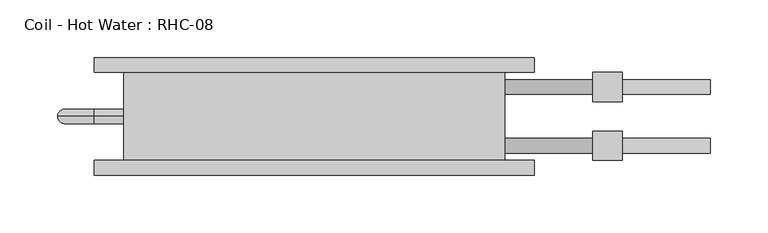
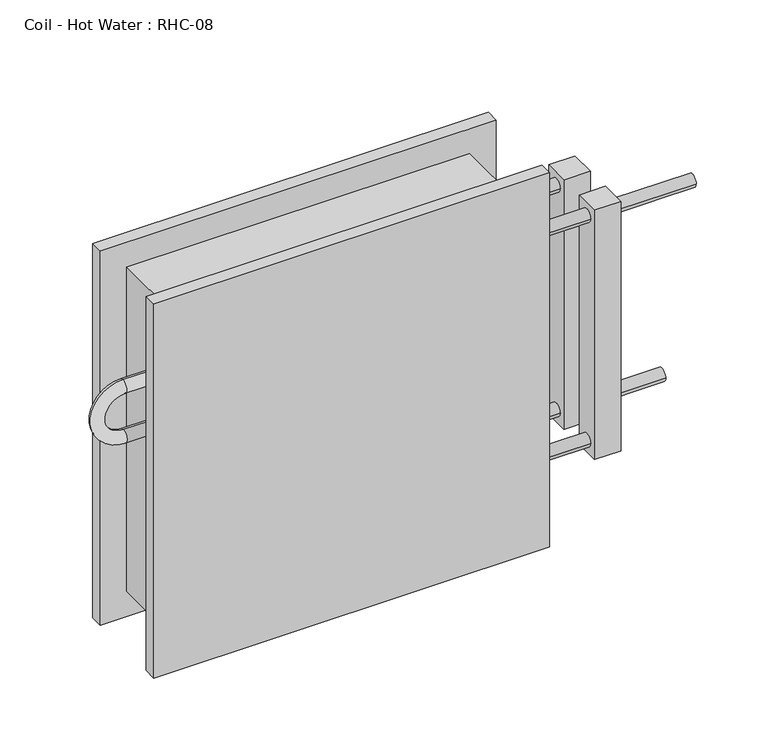
"""IFC4 building model written with IfcOpenShell, lengths in millimetres: proxy geometry, Coil - Hot Water : RHC-08."""

import ifcopenshell
import ifcopenshell.guid

model = None  # the IFC model being written
_history = None  # IfcOwnerHistory: only IFC2X3 demands one
_inside = {}  # id of a spatial element -> (the spatial element, [elements in it])
_under = {}  # id of a project, library or spatial element -> (it, [spatial elements below it])
_declared = {}  # id of a project -> (the project, [libraries it declares])
_typed = {}  # id of a type object -> (the type object, [elements of that type])
_made_of = {}  # id of a material, layer set ... -> (it, [elements and type objects made of it])


def new_model(schema):
    """Start an empty IFC model of exactly this schema.

    Asked for "IFC4X3", IfcOpenShell would pick the latest addendum, in which some entities
    have other attributes; the version numbers below select the first issue.
    IFC2X3 requires an IfcOwnerHistory on every rooted entity: one is made here for all.
    """
    global model, _history
    if schema == "IFC4X3":
        model = ifcopenshell.file(schema_version=(4, 3, 0, 0))
    else:
        model = ifcopenshell.file(schema=schema)
    _inside.clear()
    _under.clear()
    _declared.clear()
    _typed.clear()
    _made_of.clear()
    _history = None
    if model.schema == "IFC2X3":
        org = make("IfcOrganization", Name="unknown")
        user = make(
            "IfcPersonAndOrganization",
            ThePerson=make("IfcPerson", FamilyName="unknown"),
            TheOrganization=org,
        )
        app = make(
            "IfcApplication",
            ApplicationDeveloper=org,
            Version="unknown",
            ApplicationFullName="unknown",
            ApplicationIdentifier="unknown",
        )
        _history = make(
            "IfcOwnerHistory",
            OwningUser=user,
            OwningApplication=app,
            ChangeAction="ADDED",
            CreationDate=0,
        )
    return model


def make(cls, **values):
    """One entity of the class cls with the attributes given. An attribute that is None is left unset."""
    return model.create_entity(
        cls, **{name: value for name, value in values.items() if value is not None}
    )


def rooted(cls, **values):
    """An entity with a GlobalId (a new one), such as an element, a storey or a relation."""
    return make(cls, GlobalId=ifcopenshell.guid.new(), OwnerHistory=_history, **values)


def si_unit(unit_type, name, prefix=None):
    """IfcSIUnit, for example si_unit("LENGTHUNIT", "METRE", prefix="MILLI")."""
    return make("IfcSIUnit", UnitType=unit_type, Prefix=prefix, Name=name)


def assignment(units):
    """IfcUnitAssignment: the units of a project."""
    return None if units is None else make("IfcUnitAssignment", Units=units)


def point(xyz):
    """IfcCartesianPoint."""
    return None if xyz is None else make("IfcCartesianPoint", Coordinates=xyz)


def direction(xyz):
    """IfcDirection."""
    return None if xyz is None else make("IfcDirection", DirectionRatios=xyz)


def frame(location, z_axis=None, x_axis=None):
    """IfcAxis2Placement3D, a coordinate frame: its origin and axes. An axis left out is left unset."""
    return make(
        "IfcAxis2Placement3D",
        Location=point(location),
        Axis=direction(z_axis),
        RefDirection=direction(x_axis),
    )


def origin():
    """The frame at (0, 0, 0) with its axes left unset."""
    return frame((0.0, 0.0, 0.0))


def place(relative_to, where):
    """IfcLocalPlacement: puts the frame where relative to a parent placement (None: the world)."""
    return make(
        "IfcLocalPlacement", PlacementRelTo=relative_to, RelativePlacement=where
    )


def context(
    kind, dimensions, precision=None, world=None, true_north=None, identifier=None
):
    """IfcGeometricRepresentationContext, for example the 3D "Model" context."""
    return make(
        "IfcGeometricRepresentationContext",
        ContextIdentifier=identifier,
        ContextType=kind,
        CoordinateSpaceDimension=dimensions,
        Precision=precision,
        WorldCoordinateSystem=world,
        TrueNorth=true_north,
    )


def project(units=None, contexts=None):
    """IfcProject with its units and contexts."""
    return rooted(
        "IfcProject",
        Name="project",
        RepresentationContexts=contexts,
        UnitsInContext=assignment(units),
    )


def spatial(cls, under=None, at=None, **own):
    """A site, building, storey or space (cls), placed at a placement, below another one or the project."""
    s = rooted(cls, ObjectPlacement=at, **own)
    if under is not None:
        _under.setdefault(under.id(), (under, []))[1].append(s)
    return s


def circle_curve(where, radius):
    """IfcCircle in the frame where."""
    return make("IfcCircle", Position=where, Radius=radius)


def ellipse_curve(where, semi_axis1, semi_axis2):
    """IfcEllipse in the frame where."""
    return make(
        "IfcEllipse", Position=where, SemiAxis1=semi_axis1, SemiAxis2=semi_axis2
    )


def trimmed(basis, trim1, trim2, sense, master):
    """IfcTrimmedCurve: the piece of a basis curve between two trims."""
    return make(
        "IfcTrimmedCurve",
        BasisCurve=basis,
        Trim1=trim1,
        Trim2=trim2,
        SenseAgreement=sense,
        MasterRepresentation=master,
    )


def shape(context_of_items, identifier, shape_type, items):
    """IfcShapeRepresentation: the items that make up one representation, for example the "Body"."""
    return make(
        "IfcShapeRepresentation",
        ContextOfItems=context_of_items,
        RepresentationIdentifier=identifier,
        RepresentationType=shape_type,
        Items=items,
    )


def source(mapping_origin, context_of_items, identifier, shape_type, items):
    """IfcRepresentationMap: a shape defined once, which mapped items show again and again."""
    return make(
        "IfcRepresentationMap",
        MappingOrigin=mapping_origin,
        MappedRepresentation=shape(context_of_items, identifier, shape_type, items),
    )


def transform(
    local_origin,
    x_axis=None,
    y_axis=None,
    z_axis=None,
    scale=None,
    scale2=None,
    scale3=None,
    uniform=True,
):
    """IfcCartesianTransformationOperator3D, or its non-uniform kind. x_axis, y_axis, z_axis: its Axis1, 2, 3."""
    if uniform:
        return make(
            "IfcCartesianTransformationOperator3D",
            Axis1=direction(x_axis),
            Axis2=direction(y_axis),
            LocalOrigin=point(local_origin),
            Scale=scale,
            Axis3=direction(z_axis),
        )
    return make(
        "IfcCartesianTransformationOperator3DnonUniform",
        Axis1=direction(x_axis),
        Axis2=direction(y_axis),
        LocalOrigin=point(local_origin),
        Scale=scale,
        Axis3=direction(z_axis),
        Scale2=scale2,
        Scale3=scale3,
    )


def mapped(mapping_source, mapping_target):
    """IfcMappedItem: shows the shape of a source again, moved by a transform."""
    return make(
        "IfcMappedItem", MappingSource=mapping_source, MappingTarget=mapping_target
    )


def made_of(thing, what):
    """Note that an element or type object is made of a material, layer set ...; save() writes the relation."""
    if what is not None:
        _made_of.setdefault(what.id(), (what, []))[1].append(thing)
    return thing


def element(
    cls,
    number,
    at=None,
    inside=None,
    cuts=None,
    type_object=None,
    material=None,
    context=None,
    identifier="Body",
    shape_type=None,
    held_by="IfcProductDefinitionShape",
    body=None,
    shapes=None,
    **own,
):
    """One element of the class cls, such as IfcWall. Its Tag is "e" and its number.

    at: its placement. inside: the storey or other place that contains it. cuts: it is an
    opening in that element (IfcRelVoidsElement). A single representation is given by context,
    identifier, shape_type and body (its items); several are given by shapes. held_by: the class
    of the entity that holds the representations. save() writes the other relations.
    """
    e = rooted(cls, Tag="e%d" % number, ObjectPlacement=at, **own)
    if body is not None:
        shapes = [shape(context, identifier, shape_type, body)]
    if shapes is not None:
        e.Representation = make(held_by, Representations=shapes)
    if inside is not None:
        _inside.setdefault(inside.id(), (inside, []))[1].append(e)
    if cuts is not None:
        rooted(
            "IfcRelVoidsElement", RelatingBuildingElement=cuts, RelatedOpeningElement=e
        )
    if type_object is not None:
        _typed.setdefault(type_object.id(), (type_object, []))[1].append(e)
    return made_of(e, material)


def aggregate(whole, parts):
    """IfcRelAggregates: a whole, such as a stair, and the parts it consists of."""
    return rooted("IfcRelAggregates", RelatingObject=whole, RelatedObjects=parts)


def save(model, path):
    """Write the relations noted so far, then the file.

    IfcRelAggregates (storeys below a building ...), IfcRelContainedInSpatialStructure (elements
    in a storey), IfcRelDefinesByType, IfcRelAssociatesMaterial and IfcRelDeclares: one each for
    every whole, place, type object, material and project.
    """
    for whole, parts in _under.values():
        aggregate(whole, parts)
    for where, things in _inside.values():
        rooted(
            "IfcRelContainedInSpatialStructure",
            RelatedElements=things,
            RelatingStructure=where,
        )
    for kind, things in _typed.values():
        rooted("IfcRelDefinesByType", RelatedObjects=things, RelatingType=kind)
    for what, things in _made_of.values():
        rooted("IfcRelAssociatesMaterial", RelatedObjects=things, RelatingMaterial=what)
    for by, libraries in _declared.values():
        rooted("IfcRelDeclares", RelatingContext=by, RelatedDefinitions=libraries)
    model.write(path)


def plane_surface(at):
    """IfcPlane: the flat surface through the origin of the frame at, square to its z axis."""
    return make("IfcPlane", Position=at)


def cylinder_surface(at, radius):
    """IfcCylindricalSurface: all points at the distance radius from the z axis of the frame at."""
    return make("IfcCylindricalSurface", Position=at, Radius=radius)


def revolved_surface(curve, axis_point, axis_direction):
    """IfcSurfaceOfRevolution: the curve turned about the line through axis_point along axis_direction."""
    return make(
        "IfcSurfaceOfRevolution",
        SweptCurve=make("IfcArbitraryOpenProfileDef", ProfileType="CURVE", Curve=curve),
        AxisPosition=make("IfcAxis1Placement", Location=point(axis_point), Axis=direction(axis_direction)),
    )


def advanced_brep(points, edges, surfaces, faces):
    """IfcAdvancedBrep: a solid bounded by faces that lie on surfaces and meet in shared edges.

    An edge is (start, end): straight between two places in points (the first is 0);
    or (start, end, curve); or (start, end, curve, False) where it runs against its curve.
    A face is (place in surfaces, loops), or (place, loops, False) where it looks against
    its surface's normal. A loop lists edges by number (the first is 1), with a minus sign
    where the edge is run from its end to its start. The first loop is the outer one.
    """
    corners = [point(p) for p in points]
    vertices = [make("IfcVertexPoint", VertexGeometry=c) for c in corners]
    made = []
    for start, end, *more in edges:
        made.append(
            make(
                "IfcEdgeCurve",
                EdgeStart=vertices[start],
                EdgeEnd=vertices[end],
                EdgeGeometry=more[0] if more else make("IfcPolyline", Points=[corners[start], corners[end]]),
                SameSense=more[1] if len(more) > 1 else True,
            )
        )
    hull = []
    for where, loops, *sense in faces:
        bounds = []
        for j, loop in enumerate(loops):
            ring = [make("IfcOrientedEdge", EdgeElement=made[abs(k) - 1], Orientation=k > 0) for k in loop]
            bounds.append(
                make(
                    "IfcFaceOuterBound" if j == 0 else "IfcFaceBound",
                    Bound=make("IfcEdgeLoop", EdgeList=ring),
                    Orientation=True,
                )
            )
        hull.append(make("IfcAdvancedFace", Bounds=bounds, FaceSurface=surfaces[where], SameSense=sense[0] if sense else True))
    return make("IfcAdvancedBrep", Outer=make("IfcClosedShell", CfsFaces=hull))


def coil_hot_water_rhc_08_eba8b0fe(model_context):
    return source(origin(), model_context, "Body", "AdvancedBrep", [
        advanced_brep(
        [(-165.1, 76.2, 330.2), (-165.1, 0.0, 330.2), (165.1, 0.0, 330.2), (165.1, 76.2, 330.2), (165.1, 76.2, 0.0), (165.1, 0.0, 0.0), (-165.1, 0.0, 0.0), (-165.1, 76.2, 0.0), (-165.1, 38.1, 247.65), (-165.1, 38.1, 234.95), (-165.1, 38.1, 196.85), (-165.1, 38.1, 184.15), (165.1, 57.15, 279.4), (165.1, 69.85, 279.4), (165.1, 6.35, 50.8), (165.1, 19.05, 50.8), (165.1, 6.35, 279.4), (165.1, 19.05, 279.4), (165.1, 57.15, 50.8), (165.1, 69.85, 50.8), (190.5, 76.2, 355.6), (-190.5, 76.2, 355.6), (-190.5, 76.2, -25.4), (190.5, 76.2, -25.4), (190.5, 88.9, 355.6), (190.5, 88.9, -25.4), (-190.5, 88.9, -25.4), (-190.5, 88.9, 355.6), (342.9, 57.15, 50.8), (342.9, 69.85, 50.8), (342.9, 6.35, 279.4), (342.9, 19.05, 279.4), (266.7, 57.15, 50.8), (266.7, 69.85, 50.8), (266.7, 6.35, 279.4), (266.7, 19.05, 279.4), (190.5, -12.7, 355.6), (-190.5, -12.7, 355.6), (-190.5, -12.7, -25.4), (190.5, -12.7, -25.4), (190.5, 0.0, 355.6), (190.5, 0.0, -25.4), (-190.5, 0.0, -25.4), (-190.5, 0.0, 355.6), (-190.5, 38.1, 247.65), (-190.5, 38.1, 234.95), (-190.5, 38.1, 184.15), (-190.5, 38.1, 196.85), (241.3, 57.15, 279.4), (241.3, 69.85, 279.4), (241.3, 6.35, 50.8), (241.3, 19.05, 50.8), (241.3, 6.35, 279.4), (241.3, 19.05, 279.4), (241.3, 57.15, 50.8), (241.3, 69.85, 50.8), (266.7, 50.8, 292.1), (266.7, 50.8, 38.1), (266.7, 76.2, 38.1), (266.7, 76.2, 292.1), (266.7, 0.0, 292.1), (266.7, 0.0, 38.1), (266.7, 25.4, 38.1), (266.7, 25.4, 292.1), (241.3, 50.8, 292.1), (241.3, 76.2, 292.1), (241.3, 76.2, 38.1), (241.3, 50.8, 38.1), (241.3, 0.0, 292.1), (241.3, 25.4, 292.1), (241.3, 25.4, 38.1), (241.3, 0.0, 38.1)],
        [
            (0, 1),
            (1, 2),
            (2, 3),
            (3, 0),
            (4, 5),
            (5, 6),
            (6, 7),
            (7, 4),
            (0, 7),
            (6, 1),
            (8, 9, circle_curve(frame((-165.1, 38.1, 241.3), z_axis=(1.0, 0.0, 0.0), x_axis=(0.0, 0.0, -1.0)), 6.35)),
            (9, 8, circle_curve(frame((-165.1, 38.1, 241.3), z_axis=(1.0, 0.0, 0.0), x_axis=(0.0, 0.0, -1.0)), 6.35)),
            (10, 11, circle_curve(frame((-165.1, 38.1, 190.5), z_axis=(1.0, 0.0, 0.0), x_axis=(0.0, 0.0, 1.0)), 6.35)),
            (11, 10, circle_curve(frame((-165.1, 38.1, 190.5), z_axis=(1.0, 0.0, 0.0), x_axis=(0.0, 0.0, 1.0)), 6.35)),
            (2, 5),
            (4, 3),
            (12, 13, circle_curve(frame((165.1, 63.5, 279.4), z_axis=(-1.0, 0.0, 0.0), x_axis=(0.0, 1.0, 0.0)), 6.35)),
            (13, 12, circle_curve(frame((165.1, 63.5, 279.4), z_axis=(-1.0, 0.0, 0.0), x_axis=(0.0, 1.0, 0.0)), 6.35)),
            (14, 15, circle_curve(frame((165.1, 12.7, 50.8), z_axis=(-1.0, 0.0, 0.0), x_axis=(0.0, 1.0, 0.0)), 6.35)),
            (15, 14, circle_curve(frame((165.1, 12.7, 50.8), z_axis=(-1.0, 0.0, 0.0), x_axis=(0.0, 1.0, 0.0)), 6.35)),
            (16, 17, circle_curve(frame((165.1, 12.7, 279.4), z_axis=(-1.0, 0.0, 0.0), x_axis=(0.0, 1.0, 0.0)), 6.35)),
            (17, 16, circle_curve(frame((165.1, 12.7, 279.4), z_axis=(-1.0, 0.0, 0.0), x_axis=(0.0, 1.0, 0.0)), 6.35)),
            (18, 19, circle_curve(frame((165.1, 63.5, 50.8), z_axis=(-1.0, 0.0, 0.0), x_axis=(0.0, 1.0, 0.0)), 6.35)),
            (19, 18, circle_curve(frame((165.1, 63.5, 50.8), z_axis=(-1.0, 0.0, 0.0), x_axis=(0.0, 1.0, 0.0)), 6.35)),
            (20, 21),
            (21, 22),
            (22, 23),
            (23, 20),
            (24, 25),
            (25, 26),
            (26, 27),
            (27, 24),
            (20, 24),
            (27, 21),
            (26, 22),
            (25, 23),
            (28, 29, circle_curve(frame((342.9, 63.5, 50.8), z_axis=(1.0, 0.0, 0.0), x_axis=(0.0, 1.0, 0.0)), 6.35)),
            (29, 28, circle_curve(frame((342.9, 63.5, 50.8), z_axis=(1.0, 0.0, 0.0), x_axis=(0.0, 1.0, 0.0)), 6.35)),
            (30, 31, circle_curve(frame((342.9, 12.7, 279.4), z_axis=(1.0, 0.0, 0.0), x_axis=(0.0, 1.0, 0.0)), 6.35)),
            (31, 30, circle_curve(frame((342.9, 12.7, 279.4), z_axis=(1.0, 0.0, 0.0), x_axis=(0.0, 1.0, 0.0)), 6.35)),
            (28, 32),
            (32, 33, circle_curve(frame((266.7, 63.5, 50.8), z_axis=(1.0, 0.0, 0.0), x_axis=(0.0, 1.0, 0.0)), 6.35)),
            (33, 29),
            (33, 32, circle_curve(frame((266.7, 63.5, 50.8), z_axis=(1.0, 0.0, 0.0), x_axis=(0.0, 1.0, 0.0)), 6.35)),
            (30, 34),
            (34, 35, circle_curve(frame((266.7, 12.7, 279.4), z_axis=(1.0, 0.0, 0.0), x_axis=(0.0, 1.0, 0.0)), 6.35)),
            (35, 31),
            (35, 34, circle_curve(frame((266.7, 12.7, 279.4), z_axis=(1.0, 0.0, 0.0), x_axis=(0.0, 1.0, 0.0)), 6.35)),
            (36, 37),
            (37, 38),
            (38, 39),
            (39, 36),
            (40, 41),
            (41, 42),
            (42, 43),
            (43, 40),
            (36, 40),
            (43, 37),
            (42, 38),
            (41, 39),
            (8, 44),
            (44, 45, circle_curve(frame((-190.5, 38.1, 241.3), z_axis=(1.0, 0.0, 0.0), x_axis=(0.0, 0.0, -1.0)), 6.35)),
            (45, 9),
            (45, 44, circle_curve(frame((-190.5, 38.1, 241.3), z_axis=(1.0, 0.0, 0.0), x_axis=(0.0, 0.0, -1.0)), 6.35)),
            (44, 46, circle_curve(frame((-190.5, 38.1, 215.9), z_axis=(0.0, -1.0, 0.0), x_axis=(0.0, 0.0, 1.0)), 31.75)),
            (46, 47, circle_curve(frame((-190.5, 38.1, 190.5), z_axis=(-1.0, 0.0, 0.0), x_axis=(0.0, 0.0, 1.0)), 6.35)),
            (47, 45, circle_curve(frame((-190.5, 38.1, 215.9), z_axis=(0.0, 1.0, 0.0), x_axis=(0.0, 0.0, 1.0)), 19.05)),
            (47, 46, circle_curve(frame((-190.5, 38.1, 190.5), z_axis=(-1.0, 0.0, 0.0), x_axis=(0.0, 0.0, 1.0)), 6.35)),
            (46, 11),
            (10, 47),
            (12, 48),
            (48, 49, circle_curve(frame((241.3, 63.5, 279.4), z_axis=(-1.0, 0.0, 0.0), x_axis=(0.0, 1.0, 0.0)), 6.35)),
            (49, 13),
            (49, 48, circle_curve(frame((241.3, 63.5, 279.4), z_axis=(-1.0, 0.0, 0.0), x_axis=(0.0, 1.0, 0.0)), 6.35)),
            (14, 50),
            (50, 51, circle_curve(frame((241.3, 12.7, 50.8), z_axis=(-1.0, 0.0, 0.0), x_axis=(0.0, 1.0, 0.0)), 6.35)),
            (51, 15),
            (51, 50, circle_curve(frame((241.3, 12.7, 50.8), z_axis=(-1.0, 0.0, 0.0), x_axis=(0.0, 1.0, 0.0)), 6.35)),
            (16, 52),
            (52, 53, circle_curve(frame((241.3, 12.7, 279.4), z_axis=(-1.0, 0.0, 0.0), x_axis=(0.0, 1.0, 0.0)), 6.35)),
            (53, 17),
            (53, 52, circle_curve(frame((241.3, 12.7, 279.4), z_axis=(-1.0, 0.0, 0.0), x_axis=(0.0, 1.0, 0.0)), 6.35)),
            (18, 54),
            (54, 55, circle_curve(frame((241.3, 63.5, 50.8), z_axis=(-1.0, 0.0, 0.0), x_axis=(0.0, 1.0, 0.0)), 6.35)),
            (55, 19),
            (55, 54, circle_curve(frame((241.3, 63.5, 50.8), z_axis=(-1.0, 0.0, 0.0), x_axis=(0.0, 1.0, 0.0)), 6.35)),
            (56, 57),
            (57, 58),
            (58, 59),
            (59, 56),
            (60, 61),
            (61, 62),
            (62, 63),
            (63, 60),
            (64, 65),
            (65, 66),
            (66, 67),
            (67, 64),
            (68, 69),
            (69, 70),
            (70, 71),
            (71, 68),
            (56, 64),
            (67, 57),
            (66, 58),
            (65, 59),
            (60, 68),
            (71, 61),
            (70, 62),
            (69, 63),
        ],
        [
            plane_surface(frame((-165.1, 76.2, 330.2), z_axis=(0.0, 0.0, 1.0), x_axis=(-1.0, 0.0, 0.0))),
            plane_surface(frame((-165.1, 76.2, 0.0), z_axis=(0.0, 0.0, -1.0), x_axis=(1.0, 0.0, 0.0))),
            plane_surface(frame((-165.1, 76.2, 330.2), z_axis=(-1.0, 0.0, 0.0), x_axis=(0.0, 0.0, -1.0))),
            plane_surface(frame((165.1, 0.0, 330.2), z_axis=(1.0, 0.0, 0.0), x_axis=(0.0, 0.0, -1.0))),
            plane_surface(frame((-190.5, 76.2, 355.6), z_axis=(0.0, -1.0, 0.0), x_axis=(-1.0, 0.0, 0.0))),
            plane_surface(frame((-190.5, 88.9, 355.6), z_axis=(0.0, 1.0, 0.0), x_axis=(1.0, 0.0, 0.0))),
            plane_surface(frame((190.5, 76.2, 355.6), z_axis=(0.0, 0.0, 1.0), x_axis=(0.0, 1.0, 0.0))),
            plane_surface(frame((-190.5, 76.2, 355.6), z_axis=(-1.0, 0.0, 0.0), x_axis=(0.0, 1.0, 0.0))),
            plane_surface(frame((-190.5, 76.2, -25.4), z_axis=(0.0, 0.0, -1.0), x_axis=(0.0, 1.0, 0.0))),
            plane_surface(frame((190.5, 76.2, -25.4), z_axis=(1.0, 0.0, 0.0), x_axis=(0.0, 1.0, 0.0))),
            plane_surface(frame((342.9, 69.85, 50.8), z_axis=(1.0, 0.0, 0.0), x_axis=(0.0, 0.0, 1.0))),
            cylinder_surface(frame((266.7, 63.5, 50.8), z_axis=(1.0, 0.0, 0.0), x_axis=(0.0, 1.0, 0.0)), 6.35),
            cylinder_surface(frame((0.0, 12.7, 279.4), z_axis=(1.0, 0.0, 0.0), x_axis=(0.0, 1.0, 0.0)), 6.35),
            plane_surface(frame((-190.5, -12.7, 355.6), z_axis=(0.0, -1.0, 0.0), x_axis=(-1.0, 0.0, 0.0))),
            plane_surface(frame((-190.5, 0.0, 355.6), z_axis=(0.0, 1.0, 0.0), x_axis=(1.0, 0.0, 0.0))),
            plane_surface(frame((190.5, -12.7, 355.6), z_axis=(0.0, 0.0, 1.0), x_axis=(0.0, 1.0, 0.0))),
            plane_surface(frame((-190.5, -12.7, 355.6), z_axis=(-1.0, 0.0, 0.0), x_axis=(0.0, 1.0, 0.0))),
            plane_surface(frame((-190.5, -12.7, -25.4), z_axis=(0.0, 0.0, -1.0), x_axis=(0.0, 1.0, 0.0))),
            plane_surface(frame((190.5, -12.7, -25.4), z_axis=(1.0, 0.0, 0.0), x_axis=(0.0, 1.0, 0.0))),
            cylinder_surface(frame((-165.1, 38.1, 241.3), z_axis=(1.0, 0.0, 0.0), x_axis=(0.0, 0.0, -1.0)), 6.35),
            revolved_surface(trimmed(ellipse_curve(frame((-190.5, 38.1, 241.3), z_axis=(1.0, 0.0, 0.0), x_axis=(0.0, 0.0, -1.0)), 6.35, 6.35), [point((-190.5, 38.1, 247.65))], [point((-190.5, 38.1, 234.95))], True, "CARTESIAN"), (-190.5, 0.0, 215.9), (0.0, -1.0, 0.0)),
            revolved_surface(trimmed(ellipse_curve(frame((-190.5, 38.1, 241.3), z_axis=(1.0, 0.0, 0.0), x_axis=(0.0, 0.0, -1.0)), 6.35, 6.35), [point((-190.5, 38.1, 234.95))], [point((-190.5, 38.1, 247.65))], True, "CARTESIAN"), (-190.5, 0.0, 215.9), (0.0, -1.0, 0.0)),
            cylinder_surface(frame((-190.5, 38.1, 190.5), z_axis=(-1.0, 0.0, 0.0), x_axis=(0.0, 0.0, 1.0)), 6.35),
            cylinder_surface(frame((165.1, 63.5, 279.4), z_axis=(-1.0, 0.0, 0.0), x_axis=(0.0, 1.0, 0.0)), 6.35),
            cylinder_surface(frame((165.1, 12.7, 50.8), z_axis=(-1.0, 0.0, 0.0), x_axis=(0.0, 1.0, 0.0)), 6.35),
            cylinder_surface(frame((165.1, 12.7, 279.4), z_axis=(-1.0, 0.0, 0.0), x_axis=(0.0, 1.0, 0.0)), 6.35),
            cylinder_surface(frame((165.1, 63.5, 50.8), z_axis=(-1.0, 0.0, 0.0), x_axis=(0.0, 1.0, 0.0)), 6.35),
            plane_surface(frame((266.7, 50.8, 292.1), z_axis=(1.0, 0.0, 0.0), x_axis=(0.0, 0.0, -1.0))),
            plane_surface(frame((241.3, 50.8, 292.1), z_axis=(-1.0, 0.0, 0.0), x_axis=(0.0, 0.0, 1.0))),
            plane_surface(frame((266.7, 50.8, 292.1), z_axis=(0.0, -1.0, 0.0), x_axis=(-1.0, 0.0, 0.0))),
            plane_surface(frame((266.7, 50.8, 38.1), z_axis=(0.0, 0.0, -1.0), x_axis=(-1.0, 0.0, 0.0))),
            plane_surface(frame((266.7, 76.2, 38.1), z_axis=(0.0, 1.0, 0.0), x_axis=(-1.0, 0.0, 0.0))),
            plane_surface(frame((266.7, 76.2, 292.1), z_axis=(0.0, 0.0, 1.0), x_axis=(-1.0, 0.0, 0.0))),
            plane_surface(frame((266.7, 0.0, 292.1), z_axis=(0.0, -1.0, 0.0), x_axis=(-1.0, 0.0, 0.0))),
            plane_surface(frame((266.7, 0.0, 38.1), z_axis=(0.0, 0.0, -1.0), x_axis=(-1.0, 0.0, 0.0))),
            plane_surface(frame((266.7, 25.4, 38.1), z_axis=(0.0, 1.0, 0.0), x_axis=(-1.0, 0.0, 0.0))),
            plane_surface(frame((266.7, 25.4, 292.1), z_axis=(0.0, 0.0, 1.0), x_axis=(-1.0, 0.0, 0.0))),
        ],
        [
            (0, [[1, 2, 3, 4]]),
            (1, [[5, 6, 7, 8]]),
            (2, [[-1, 9, -7, 10], [11, 12], [13, 14]]),
            (3, [[-3, 15, -5, 16], [17, 18], [19, 20], [21, 22], [23, 24]]),
            (4, [[25, 26, 27, 28], [-4, -16, -8, -9]]),
            (5, [[29, 30, 31, 32]]),
            (6, [[-25, 33, -32, 34]]),
            (7, [[-26, -34, -31, 35]]),
            (8, [[-27, -35, -30, 36]]),
            (9, [[-28, -36, -29, -33]]),
            (10, [[37, 38]]),
            (10, [[39, 40]]),
            (11, [[-37, 41, 42, 43]]),
            (11, [[-38, -43, 44, -41]]),
            (12, [[-39, 45, 46, 47]]),
            (12, [[-40, -47, 48, -45]]),
            (13, [[49, 50, 51, 52]]),
            (14, [[53, 54, 55, 56], [-2, -10, -6, -15]]),
            (15, [[-49, 57, -56, 58]]),
            (16, [[-50, -58, -55, 59]]),
            (17, [[-51, -59, -54, 60]]),
            (18, [[-52, -60, -53, -57]]),
            (19, [[61, 62, 63, -11]]),
            (19, [[-61, -12, -63, 64]]),
            (20, [[-62, 65, 66, 67]]),
            (21, [[-64, -67, 68, -65]]),
            (22, [[-66, 69, -13, 70]]),
            (22, [[-68, -70, -14, -69]]),
            (23, [[71, 72, 73, -17]]),
            (23, [[-71, -18, -73, 74]]),
            (24, [[75, 76, 77, -19]]),
            (24, [[-75, -20, -77, 78]]),
            (25, [[79, 80, 81, -21]]),
            (25, [[-79, -22, -81, 82]]),
            (26, [[83, 84, 85, -23]]),
            (26, [[-83, -24, -85, 86]]),
            (27, [[87, 88, 89, 90], [-42, -44]]),
            (27, [[91, 92, 93, 94], [-46, -48]]),
            (28, [[95, 96, 97, 98], [-72, -74], [-84, -86]]),
            (28, [[99, 100, 101, 102], [-76, -78], [-80, -82]]),
            (29, [[-87, 103, -98, 104]]),
            (30, [[-88, -104, -97, 105]]),
            (31, [[-89, -105, -96, 106]]),
            (32, [[-90, -106, -95, -103]]),
            (33, [[-91, 107, -102, 108]]),
            (34, [[-92, -108, -101, 109]]),
            (35, [[-93, -109, -100, 110]]),
            (36, [[-94, -110, -99, -107]]),
        ],
    ),
    ])


if __name__ == "__main__":
    model = new_model("IFC4")
    model_context = context("Model", 3, world=origin())
    ifc_project = project(units=[si_unit("LENGTHUNIT", "METRE", prefix="MILLI")], contexts=[model_context])
    site = spatial("IfcSite", under=ifc_project)
    building = spatial("IfcBuilding", under=site)
    placement = place(None, origin())
    coil_hot_water_rhc_08_shape = coil_hot_water_rhc_08_eba8b0fe(model_context)
    element("IfcBuildingElementProxy", 1, Name="Coil - Hot Water : RHC-08", ObjectType="Coil - Hot Water : RHC-08", at=placement, inside=building, context=model_context, shape_type="MappedRepresentation", body=[
        mapped(coil_hot_water_rhc_08_shape, transform((0.0, 0.0, 0.0), x_axis=(1.0, 0.0, 0.0), y_axis=(0.0, 1.0, 0.0), z_axis=(0.0, 0.0, 1.0))),
    ])
    save(model, "model.ifc")
